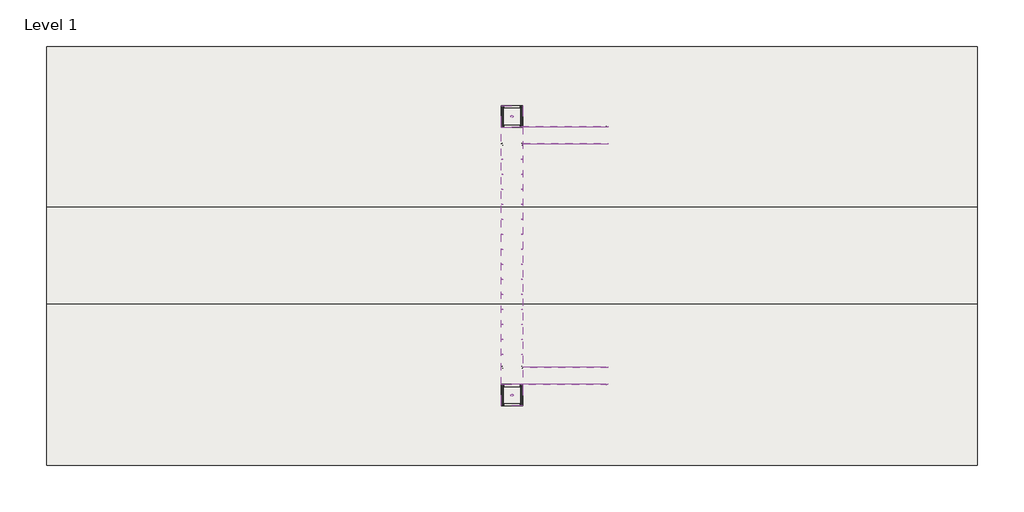
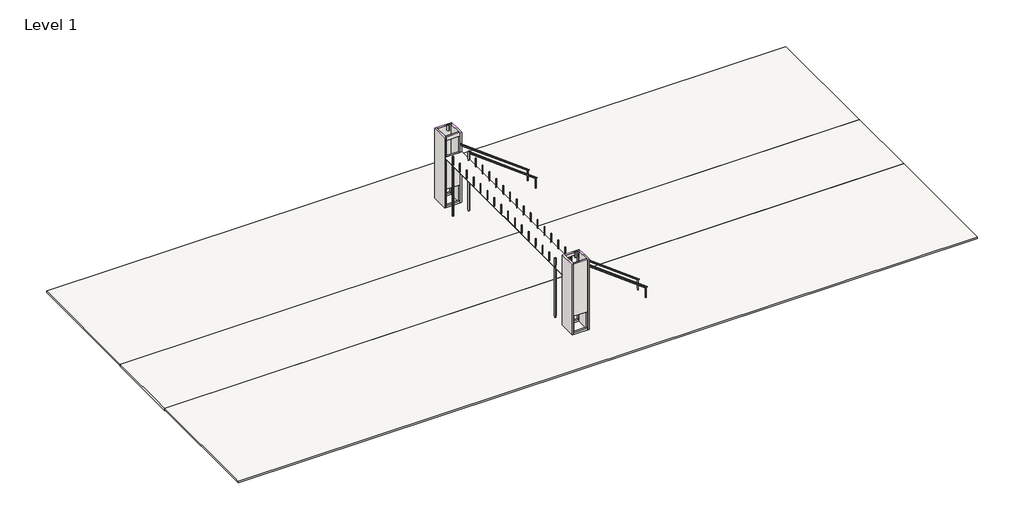
# One storey: 38 columns, 8 walls, 4 beams, 4 railings, 4 roofs, 4 slabs.
"""IFC4 building model written with IfcOpenShell, lengths in millimetres."""

import ifcopenshell
import ifcopenshell.guid

model = None  # the IFC model being written
_history = None  # IfcOwnerHistory: only IFC2X3 demands one
_inside = {}  # id of a spatial element -> (the spatial element, [elements in it])
_under = {}  # id of a project, library or spatial element -> (it, [spatial elements below it])
_declared = {}  # id of a project -> (the project, [libraries it declares])
_typed = {}  # id of a type object -> (the type object, [elements of that type])
_made_of = {}  # id of a material, layer set ... -> (it, [elements and type objects made of it])


def new_model(schema):
    """Start an empty IFC model of exactly this schema.

    Asked for "IFC4X3", IfcOpenShell would pick the latest addendum, in which some entities
    have other attributes; the version numbers below select the first issue.
    IFC2X3 requires an IfcOwnerHistory on every rooted entity: one is made here for all.
    """
    global model, _history
    if schema == "IFC4X3":
        model = ifcopenshell.file(schema_version=(4, 3, 0, 0))
    else:
        model = ifcopenshell.file(schema=schema)
    _inside.clear()
    _under.clear()
    _declared.clear()
    _typed.clear()
    _made_of.clear()
    _history = None
    if model.schema == "IFC2X3":
        org = make("IfcOrganization", Name="unknown")
        user = make(
            "IfcPersonAndOrganization",
            ThePerson=make("IfcPerson", FamilyName="unknown"),
            TheOrganization=org,
        )
        app = make(
            "IfcApplication",
            ApplicationDeveloper=org,
            Version="unknown",
            ApplicationFullName="unknown",
            ApplicationIdentifier="unknown",
        )
        _history = make(
            "IfcOwnerHistory",
            OwningUser=user,
            OwningApplication=app,
            ChangeAction="ADDED",
            CreationDate=0,
        )
    return model


def make(cls, **values):
    """One entity of the class cls with the attributes given. An attribute that is None is left unset."""
    return model.create_entity(
        cls, **{name: value for name, value in values.items() if value is not None}
    )


def rooted(cls, **values):
    """An entity with a GlobalId (a new one), such as an element, a storey or a relation."""
    return make(cls, GlobalId=ifcopenshell.guid.new(), OwnerHistory=_history, **values)


def si_unit(unit_type, name, prefix=None):
    """IfcSIUnit, for example si_unit("LENGTHUNIT", "METRE", prefix="MILLI")."""
    return make("IfcSIUnit", UnitType=unit_type, Prefix=prefix, Name=name)


def assignment(units):
    """IfcUnitAssignment: the units of a project."""
    return None if units is None else make("IfcUnitAssignment", Units=units)


def point(xyz):
    """IfcCartesianPoint."""
    return None if xyz is None else make("IfcCartesianPoint", Coordinates=xyz)


def direction(xyz):
    """IfcDirection."""
    return None if xyz is None else make("IfcDirection", DirectionRatios=xyz)


def frame(location, z_axis=None, x_axis=None):
    """IfcAxis2Placement3D, a coordinate frame: its origin and axes. An axis left out is left unset."""
    return make(
        "IfcAxis2Placement3D",
        Location=point(location),
        Axis=direction(z_axis),
        RefDirection=direction(x_axis),
    )


def frame_2d(location, x_axis=None):
    """IfcAxis2Placement2D, a coordinate frame in the plane: its origin and x axis."""
    return make(
        "IfcAxis2Placement2D", Location=point(location), RefDirection=direction(x_axis)
    )


def origin():
    """The frame at (0, 0, 0) with its axes left unset."""
    return frame((0.0, 0.0, 0.0))


def origin_with_axes():
    """The frame at (0, 0, 0) with the z axis (0, 0, 1) and the x axis (1, 0, 0) written out."""
    return frame((0.0, 0.0, 0.0), z_axis=(0.0, 0.0, 1.0), x_axis=(1.0, 0.0, 0.0))


def origin_2d():
    """The frame at (0, 0) in the plane with its x axis left unset."""
    return frame_2d((0.0, 0.0))


def place(relative_to, where):
    """IfcLocalPlacement: puts the frame where relative to a parent placement (None: the world)."""
    return make(
        "IfcLocalPlacement", PlacementRelTo=relative_to, RelativePlacement=where
    )


def context(
    kind, dimensions, precision=None, world=None, true_north=None, identifier=None
):
    """IfcGeometricRepresentationContext, for example the 3D "Model" context."""
    return make(
        "IfcGeometricRepresentationContext",
        ContextIdentifier=identifier,
        ContextType=kind,
        CoordinateSpaceDimension=dimensions,
        Precision=precision,
        WorldCoordinateSystem=world,
        TrueNorth=true_north,
    )


def project(units=None, contexts=None):
    """IfcProject with its units and contexts."""
    return rooted(
        "IfcProject",
        Name="project",
        RepresentationContexts=contexts,
        UnitsInContext=assignment(units),
    )


def spatial(cls, under=None, at=None, **own):
    """A site, building, storey or space (cls), placed at a placement, below another one or the project."""
    s = rooted(cls, ObjectPlacement=at, **own)
    if under is not None:
        _under.setdefault(under.id(), (under, []))[1].append(s)
    return s


def polyline(points):
    """IfcPolyline through the points."""
    return make("IfcPolyline", Points=[point(p) for p in points])


def circle_curve(where, radius):
    """IfcCircle in the frame where."""
    return make("IfcCircle", Position=where, Radius=radius)


def trimmed(basis, trim1, trim2, sense, master):
    """IfcTrimmedCurve: the piece of a basis curve between two trims."""
    return make(
        "IfcTrimmedCurve",
        BasisCurve=basis,
        Trim1=trim1,
        Trim2=trim2,
        SenseAgreement=sense,
        MasterRepresentation=master,
    )


def segment(curve, same_sense, transition):
    """IfcCompositeCurveSegment."""
    return make(
        "IfcCompositeCurveSegment",
        Transition=transition,
        SameSense=same_sense,
        ParentCurve=curve,
    )


def composite_curve(segments, self_intersect=None):
    """IfcCompositeCurve: segments joined end to end."""
    return make("IfcCompositeCurve", Segments=segments, SelfIntersect=self_intersect)


def outline(outer, holes=None, kind="AREA"):
    """IfcArbitraryClosedProfileDef: a profile drawn as a closed curve; with holes, ...WithVoids."""
    if holes is None:
        return make("IfcArbitraryClosedProfileDef", ProfileType=kind, OuterCurve=outer)
    return make(
        "IfcArbitraryProfileDefWithVoids",
        ProfileType=kind,
        OuterCurve=outer,
        InnerCurves=holes,
    )


def extrude(swept, where, along, depth):
    """IfcExtrudedAreaSolid: the profile swept, set in the frame where, extruded along a direction by depth."""
    return make(
        "IfcExtrudedAreaSolid",
        SweptArea=swept,
        Position=where,
        ExtrudedDirection=direction(along),
        Depth=depth,
    )


def faces_of(points, faces, orient=None, outer=None):
    """IfcFace entities. A face is a list of loops; a loop is a list of indices into points, from 0.

    orient and outer hold one flag for each loop. By default every Orientation is true, the
    first loop of a face is its IfcFaceOuterBound and the others are IfcFaceBound.
    """
    made = []
    for i, loops in enumerate(faces):
        bounds = []
        for j, loop in enumerate(loops):
            is_outer = j == 0 if outer is None else outer[i][j]
            bounds.append(
                make(
                    "IfcFaceOuterBound" if is_outer else "IfcFaceBound",
                    Bound=make("IfcPolyLoop", Polygon=[points[k] for k in loop]),
                    Orientation=True if orient is None else orient[i][j],
                )
            )
        made.append(make("IfcFace", Bounds=bounds))
    return made


def faceted_brep(points, faces, orient=None, outer=None, voids=None):
    """IfcFacetedBrep: a solid bounded by flat faces; with voids (closed shells), ...WithVoids."""
    shared = [point(p) for p in points]
    hull = make("IfcClosedShell", CfsFaces=faces_of(shared, faces, orient, outer))
    if voids is None:
        return make("IfcFacetedBrep", Outer=hull)
    return make(
        "IfcFacetedBrepWithVoids",
        Outer=hull,
        Voids=[
            make(cls, CfsFaces=faces_of(shared, fs, o, b)) for cls, fs, o, b in voids
        ],
    )


def shape(context_of_items, identifier, shape_type, items):
    """IfcShapeRepresentation: the items that make up one representation, for example the "Body"."""
    return make(
        "IfcShapeRepresentation",
        ContextOfItems=context_of_items,
        RepresentationIdentifier=identifier,
        RepresentationType=shape_type,
        Items=items,
    )


def source(mapping_origin, context_of_items, identifier, shape_type, items):
    """IfcRepresentationMap: a shape defined once, which mapped items show again and again."""
    return make(
        "IfcRepresentationMap",
        MappingOrigin=mapping_origin,
        MappedRepresentation=shape(context_of_items, identifier, shape_type, items),
    )


def transform(
    local_origin,
    x_axis=None,
    y_axis=None,
    z_axis=None,
    scale=None,
    scale2=None,
    scale3=None,
    uniform=True,
):
    """IfcCartesianTransformationOperator3D, or its non-uniform kind. x_axis, y_axis, z_axis: its Axis1, 2, 3."""
    if uniform:
        return make(
            "IfcCartesianTransformationOperator3D",
            Axis1=direction(x_axis),
            Axis2=direction(y_axis),
            LocalOrigin=point(local_origin),
            Scale=scale,
            Axis3=direction(z_axis),
        )
    return make(
        "IfcCartesianTransformationOperator3DnonUniform",
        Axis1=direction(x_axis),
        Axis2=direction(y_axis),
        LocalOrigin=point(local_origin),
        Scale=scale,
        Axis3=direction(z_axis),
        Scale2=scale2,
        Scale3=scale3,
    )


def mapped(mapping_source, mapping_target):
    """IfcMappedItem: shows the shape of a source again, moved by a transform."""
    return make(
        "IfcMappedItem", MappingSource=mapping_source, MappingTarget=mapping_target
    )


def made_of(thing, what):
    """Note that an element or type object is made of a material, layer set ...; save() writes the relation."""
    if what is not None:
        _made_of.setdefault(what.id(), (what, []))[1].append(thing)
    return thing


def element(
    cls,
    number,
    at=None,
    inside=None,
    cuts=None,
    type_object=None,
    material=None,
    context=None,
    identifier="Body",
    shape_type=None,
    held_by="IfcProductDefinitionShape",
    body=None,
    shapes=None,
    **own,
):
    """One element of the class cls, such as IfcWall. Its Tag is "e" and its number.

    at: its placement. inside: the storey or other place that contains it. cuts: it is an
    opening in that element (IfcRelVoidsElement). A single representation is given by context,
    identifier, shape_type and body (its items); several are given by shapes. held_by: the class
    of the entity that holds the representations. save() writes the other relations.
    """
    e = rooted(cls, Tag="e%d" % number, ObjectPlacement=at, **own)
    if body is not None:
        shapes = [shape(context, identifier, shape_type, body)]
    if shapes is not None:
        e.Representation = make(held_by, Representations=shapes)
    if inside is not None:
        _inside.setdefault(inside.id(), (inside, []))[1].append(e)
    if cuts is not None:
        rooted(
            "IfcRelVoidsElement", RelatingBuildingElement=cuts, RelatedOpeningElement=e
        )
    if type_object is not None:
        _typed.setdefault(type_object.id(), (type_object, []))[1].append(e)
    return made_of(e, material)


def aggregate(whole, parts):
    """IfcRelAggregates: a whole, such as a stair, and the parts it consists of."""
    return rooted("IfcRelAggregates", RelatingObject=whole, RelatedObjects=parts)


def save(model, path):
    """Write the relations noted so far, then the file.

    IfcRelAggregates (storeys below a building ...), IfcRelContainedInSpatialStructure (elements
    in a storey), IfcRelDefinesByType, IfcRelAssociatesMaterial and IfcRelDeclares: one each for
    every whole, place, type object, material and project.
    """
    for whole, parts in _under.values():
        aggregate(whole, parts)
    for where, things in _inside.values():
        rooted(
            "IfcRelContainedInSpatialStructure",
            RelatedElements=things,
            RelatingStructure=where,
        )
    for kind, things in _typed.values():
        rooted("IfcRelDefinesByType", RelatedObjects=things, RelatingType=kind)
    for what, things in _made_of.values():
        rooted("IfcRelAssociatesMaterial", RelatedObjects=things, RelatingMaterial=what)
    for by, libraries in _declared.values():
        rooted("IfcRelDeclares", RelatingContext=by, RelatedDefinitions=libraries)
    model.write(path)


def circular_hollow_sections_column2_chs168_3x10_2_d5f3cf2d(model_context):
    return source(origin(), model_context, "Body", "SweptSolid", [
        extrude(outline(composite_curve([segment(trimmed(circle_curve(origin_2d(), 84.15), [point((-84.15, 0.0))], [point((84.15, 0.0))], False, "CARTESIAN"), True, "CONTINUOUS"), segment(trimmed(circle_curve(origin_2d(), 84.15), [point((84.15, 0.0))], [point((-84.15, 0.0))], False, "CARTESIAN"), True, "CONTINUOUS")], self_intersect=False), holes=[composite_curve([segment(trimmed(circle_curve(origin_2d(), 74.15), [point((-74.15, 0.0))], [point((74.15, 0.0))], True, "CARTESIAN"), True, "CONTINUOUS"), segment(trimmed(circle_curve(origin_2d(), 74.15), [point((74.15, 0.0))], [point((-74.15, 0.0))], True, "CARTESIAN"), True, "CONTINUOUS")], self_intersect=False)]), origin_with_axes(), (0.0, 0.0, 1.0), 7350.0),
    ])


def circular_hollow_sections_column2_chs244_5x6_3_2_f04269d1(model_context):
    return source(origin(), model_context, "Body", "SweptSolid", [
        extrude(outline(composite_curve([segment(trimmed(circle_curve(origin_2d(), 122.25), [point((-122.25, 0.0))], [point((122.25, 0.0))], False, "CARTESIAN"), True, "CONTINUOUS"), segment(trimmed(circle_curve(origin_2d(), 122.25), [point((122.25, 0.0))], [point((-122.25, 0.0))], False, "CARTESIAN"), True, "CONTINUOUS")], self_intersect=False), holes=[composite_curve([segment(trimmed(circle_curve(origin_2d(), 115.95), [point((-115.95, 0.0))], [point((115.95, 0.0))], True, "CARTESIAN"), True, "CONTINUOUS"), segment(trimmed(circle_curve(origin_2d(), 115.95), [point((115.95, 0.0))], [point((-115.95, 0.0))], True, "CARTESIAN"), True, "CONTINUOUS")], self_intersect=False)]), frame((0.0, 0.0, 8750.0), z_axis=(0.0, 0.0, 1.0), x_axis=(1.0, 0.0, 0.0)), (0.0, 0.0, 1.0), 640.0),
    ])


def circular_hollow_sections_column2_chs88_9x3_6_0eb0d693(model_context):
    return source(origin(), model_context, "Body", "SweptSolid", [
        extrude(outline(composite_curve([segment(trimmed(circle_curve(origin_2d(), 44.45), [point((-44.45, 0.0))], [point((44.45, 0.0))], False, "CARTESIAN"), True, "CONTINUOUS"), segment(trimmed(circle_curve(origin_2d(), 44.45), [point((44.45, 0.0))], [point((-44.45, 0.0))], False, "CARTESIAN"), True, "CONTINUOUS")], self_intersect=False), holes=[composite_curve([segment(trimmed(circle_curve(origin_2d(), 40.85), [point((-40.85, 0.0))], [point((40.85, 0.0))], True, "CARTESIAN"), True, "CONTINUOUS"), segment(trimmed(circle_curve(origin_2d(), 40.85), [point((40.85, 0.0))], [point((-40.85, 0.0))], True, "CARTESIAN"), True, "CONTINUOUS")], self_intersect=False)]), frame((0.0, 0.0, 6250.0), z_axis=(0.0, 0.0, 1.0), x_axis=(1.0, 0.0, 0.0)), (0.0, 0.0, 1.0), 1100.0),
    ])


def railing_900mm_3cfb49fb(model_context):
    return source(origin(), model_context, "Body", "SweptSolid", [
        extrude(outline(polyline([(1242.25, 156897.861144), (1337.5, 156897.861144), (7150.0, 149147.861144), (7054.75, 149147.861144), (1242.25, 156897.861144)])), frame((0.0, 49339.3663525, 0.0), z_axis=(0.0, 1.0, 0.0), x_axis=(0.0, 0.0, 1.0)), (0.0, 0.0, 1.0), 50.8),
    ])


def railing_900mm_8dbf6165(model_context):
    return source(origin(), model_context, "Body", "SweptSolid", [
        extrude(outline(polyline([(1242.25, 156897.861144), (1337.5, 156897.861144), (7150.0, 149147.861144), (7054.75, 149147.861144), (1242.25, 156897.861144)])), frame((0.0, 50930.0558522, 0.0), z_axis=(0.0, 1.0, 0.0), x_axis=(0.0, 0.0, 1.0)), (0.0, 0.0, 1.0), 50.8),
    ])


def railing_900mm_4aaa5624(model_context):
    return source(origin(), model_context, "Body", "SweptSolid", [
        extrude(outline(polyline([(1242.25, 156897.861144), (1337.5, 156897.861144), (7150.0, 149147.861144), (7054.75, 149147.861144), (1242.25, 156897.861144)])), frame((0.0, 71739.3663525, 0.0), z_axis=(0.0, 1.0, 0.0), x_axis=(0.0, 0.0, 1.0)), (0.0, 0.0, 1.0), 50.8),
    ])


def railing_900mm_96c6f536(model_context):
    return source(origin(), model_context, "Body", "SweptSolid", [
        extrude(outline(polyline([(1242.25, 156897.861144), (1337.5, 156897.861144), (7150.0, 149147.861144), (7054.75, 149147.861144), (1242.25, 156897.861144)])), frame((0.0, 73330.0558522, 0.0), z_axis=(0.0, 1.0, 0.0), x_axis=(0.0, 0.0, 1.0)), (0.0, 0.0, 1.0), 50.8),
    ])


model = new_model("IFC4")

# Units and contexts
model_context = context("Model", 3, world=origin())
ifc_project = project(units=[si_unit("LENGTHUNIT", "METRE", prefix="MILLI")], contexts=[model_context])

# Site, building, storey
site = spatial("IfcSite", under=ifc_project)
building = spatial("IfcBuilding", under=site)
storey = spatial("IfcBuildingStorey", under=building, Name="Level 1", Elevation=0.0)

# Beams
placement = place(None, origin())
element("IfcBeam", 1, ObjectType="Circular Hollow Sections1 : CHS88.9x6.3", at=placement, inside=storey, context=model_context, shape_type="SweptSolid", body=[
    extrude(outline(composite_curve([segment(trimmed(circle_curve(frame_2d((0.0, -44.45)), 44.45), [point((0.0, -88.9))], [point((0.0, 0.0))], False, "CARTESIAN"), True, "CONTINUOUS"), segment(trimmed(circle_curve(frame_2d((0.0, -44.45)), 44.45), [point((0.0, 0.0))], [point((0.0, -88.9))], False, "CARTESIAN"), True, "CONTINUOUS")], self_intersect=False), holes=[composite_curve([segment(trimmed(circle_curve(frame_2d((0.0, -44.45)), 38.15), [point((0.0, -6.3))], [point((0.0, -82.6))], True, "CARTESIAN"), True, "CONTINUOUS"), segment(trimmed(circle_curve(frame_2d((0.0, -44.45)), 38.15), [point((0.0, -82.6))], [point((0.0, -6.3))], True, "CARTESIAN"), True, "CONTINUOUS")], self_intersect=False)]), frame((157077.0868269, 50994.9058522, 1262.0100124), z_axis=(-0.7986355100472933, 0.0, 0.6018150231520478), x_axis=(0.6018150231520478, 0.0, 0.7986355100472933)), (0.0, 0.0, 1.0), 9872.0032292),
])
element("IfcBeam", 2, ObjectType="Circular Hollow Sections1 : CHS88.9x6.3", at=placement, inside=storey, context=model_context, shape_type="SweptSolid", body=[
    extrude(outline(composite_curve([segment(trimmed(circle_curve(frame_2d((0.0, 44.45)), 44.45), [point((0.0, 88.9))], [point((0.0, 0.0))], False, "CARTESIAN"), True, "CONTINUOUS"), segment(trimmed(circle_curve(frame_2d((0.0, 44.45)), 44.45), [point((0.0, 0.0))], [point((0.0, 88.9))], False, "CARTESIAN"), True, "CONTINUOUS")], self_intersect=False), holes=[composite_curve([segment(trimmed(circle_curve(frame_2d((0.0, 44.45)), 38.15), [point((0.0, 6.3))], [point((0.0, 82.6))], True, "CARTESIAN"), True, "CONTINUOUS"), segment(trimmed(circle_curve(frame_2d((0.0, 44.45)), 38.15), [point((0.0, 82.6))], [point((0.0, 6.3))], True, "CARTESIAN"), True, "CONTINUOUS")], self_intersect=False)]), frame((157077.0868269, 49325.3163525, 1262.0100124), z_axis=(-0.7986355100472933, 0.0, 0.6018150231520478), x_axis=(0.6018150231520478, 0.0, 0.7986355100472933)), (0.0, 0.0, 1.0), 10057.0613999),
])
element("IfcBeam", 3, ObjectType="Circular Hollow Sections1 : CHS88.9x6.3", at=placement, inside=storey, context=model_context, shape_type="SweptSolid", body=[
    extrude(outline(composite_curve([segment(trimmed(circle_curve(frame_2d((0.0, -44.45)), 44.45), [point((0.0, -88.9))], [point((0.0, 0.0))], False, "CARTESIAN"), True, "CONTINUOUS"), segment(trimmed(circle_curve(frame_2d((0.0, -44.45)), 44.45), [point((0.0, 0.0))], [point((0.0, -88.9))], False, "CARTESIAN"), True, "CONTINUOUS")], self_intersect=False), holes=[composite_curve([segment(trimmed(circle_curve(frame_2d((0.0, -44.45)), 38.15), [point((0.0, -6.3))], [point((0.0, -82.6))], True, "CARTESIAN"), True, "CONTINUOUS"), segment(trimmed(circle_curve(frame_2d((0.0, -44.45)), 38.15), [point((0.0, -82.6))], [point((0.0, -6.3))], True, "CARTESIAN"), True, "CONTINUOUS")], self_intersect=False)]), frame((157077.0868269, 73394.9058522, 1262.0100124), z_axis=(-0.7986355100472933, 0.0, 0.6018150231520478), x_axis=(0.6018150231520478, 0.0, 0.7986355100472933)), (0.0, 0.0, 1.0), 10057.0613999),
])
element("IfcBeam", 4, ObjectType="Circular Hollow Sections1 : CHS88.9x6.3", at=placement, inside=storey, context=model_context, shape_type="SweptSolid", body=[
    extrude(outline(composite_curve([segment(trimmed(circle_curve(frame_2d((0.0, 44.45)), 44.45), [point((0.0, 88.9))], [point((0.0, 0.0))], False, "CARTESIAN"), True, "CONTINUOUS"), segment(trimmed(circle_curve(frame_2d((0.0, 44.45)), 44.45), [point((0.0, 0.0))], [point((0.0, 88.9))], False, "CARTESIAN"), True, "CONTINUOUS")], self_intersect=False), holes=[composite_curve([segment(trimmed(circle_curve(frame_2d((0.0, 44.45)), 38.15), [point((0.0, 6.3))], [point((0.0, 82.6))], True, "CARTESIAN"), True, "CONTINUOUS"), segment(trimmed(circle_curve(frame_2d((0.0, 44.45)), 38.15), [point((0.0, 82.6))], [point((0.0, 6.3))], True, "CARTESIAN"), True, "CONTINUOUS")], self_intersect=False)]), frame((157077.0868269, 71725.3163525, 1262.0100124), z_axis=(-0.7986355100472933, 0.0, 0.6018150231520478), x_axis=(0.6018150231520478, 0.0, 0.7986355100472933)), (0.0, 0.0, 1.0), 9872.0032292),
])

# Columns
circular_hollow_sections_column2_chs168_3x10_2_shape = circular_hollow_sections_column2_chs168_3x10_2_d5f3cf2d(model_context)
element("IfcColumn", 5, ObjectType="Circular Hollow Sections-Column2 : CHS168.3x10 2", at=placement, inside=storey, context=model_context, shape_type="MappedRepresentation", body=[
    mapped(circular_hollow_sections_column2_chs168_3x10_2_shape, transform((147223.811144, 50930.4558522, 0.0), x_axis=(0.0, 1.0, 0.0), y_axis=(-1.0, 0.0, 0.0), z_axis=(0.0, 0.0, 1.0))),
])
element("IfcColumn", 6, ObjectType="Circular Hollow Sections-Column2 : CHS168.3x10 2", at=placement, inside=storey, context=model_context, shape_type="MappedRepresentation", body=[
    mapped(circular_hollow_sections_column2_chs168_3x10_2_shape, transform((149071.911144, 50930.4558522, 0.0), x_axis=(0.0, 1.0, 0.0), y_axis=(-1.0, 0.0, 0.0), z_axis=(0.0, 0.0, 1.0))),
])
element("IfcColumn", 7, ObjectType="Circular Hollow Sections-Column2 : CHS168.3x10 2", at=placement, inside=storey, context=model_context, shape_type="MappedRepresentation", body=[
    mapped(circular_hollow_sections_column2_chs168_3x10_2_shape, transform((149071.911144, 71730.4558522, 0.0), x_axis=(0.0, 1.0, 0.0), y_axis=(-1.0, 0.0, 0.0), z_axis=(0.0, 0.0, 1.0))),
])
element("IfcColumn", 8, ObjectType="Circular Hollow Sections-Column2 : CHS168.3x10 2", at=placement, inside=storey, context=model_context, shape_type="MappedRepresentation", body=[
    mapped(circular_hollow_sections_column2_chs168_3x10_2_shape, transform((147223.811144, 71730.4558522, 0.0), x_axis=(0.0, 1.0, 0.0), y_axis=(-1.0, 0.0, 0.0), z_axis=(0.0, 0.0, 1.0))),
])
circular_hollow_sections_column2_chs244_5x6_3_2_shape = circular_hollow_sections_column2_chs244_5x6_3_2_f04269d1(model_context)
element("IfcColumn", 9, ObjectType="Circular Hollow Sections-Column2 : CHS244.5x6.3 2", at=placement, inside=storey, context=model_context, shape_type="MappedRepresentation", body=[
    mapped(circular_hollow_sections_column2_chs244_5x6_3_2_shape, transform((148147.861144, 74330.4558522, 0.0), x_axis=(0.0, 1.0, 0.0), y_axis=(-1.0, 0.0, 0.0), z_axis=(0.0, 0.0, 1.0))),
])
element("IfcColumn", 10, ObjectType="Circular Hollow Sections-Column2 : CHS244.5x6.3 2", at=placement, inside=storey, context=model_context, shape_type="MappedRepresentation", body=[
    mapped(circular_hollow_sections_column2_chs244_5x6_3_2_shape, transform((148147.861144, 48330.4558522, 0.0), x_axis=(0.0, 1.0, 0.0), y_axis=(-1.0, 0.0, 0.0), z_axis=(0.0, 0.0, 1.0))),
])
element("IfcColumn", 11, ObjectType="Circular Hollow Sections-Column2 : CHS88.9x3.6", at=placement, inside=storey, context=model_context, shape_type="SweptSolid", body=[
    extrude(outline(composite_curve([segment(trimmed(circle_curve(frame_2d((156948.0512397, 73350.4558522)), 44.45), [point((156948.0512397, 73306.0058522))], [point((156948.0512397, 73394.9058522))], False, "CARTESIAN"), True, "CONTINUOUS"), segment(trimmed(circle_curve(frame_2d((156948.0512397, 73350.4558522)), 44.45), [point((156948.0512397, 73394.9058522))], [point((156948.0512397, 73306.0058522))], False, "CARTESIAN"), True, "CONTINUOUS")], self_intersect=False), holes=[composite_curve([segment(trimmed(circle_curve(frame_2d((156948.0512397, 73350.4558522)), 40.85), [point((156948.0512397, 73309.6058522))], [point((156948.0512397, 73391.3058522))], True, "CARTESIAN"), True, "CONTINUOUS"), segment(trimmed(circle_curve(frame_2d((156948.0512397, 73350.4558522)), 40.85), [point((156948.0512397, 73391.3058522))], [point((156948.0512397, 73309.6058522))], True, "CARTESIAN"), True, "CONTINUOUS")], self_intersect=False)]), origin_with_axes(), (0.0, 0.0, 1.0), 1311.0904272),
])
element("IfcColumn", 12, ObjectType="Circular Hollow Sections-Column2 : CHS88.9x3.6", at=placement, inside=storey, context=model_context, shape_type="SweptSolid", body=[
    extrude(outline(composite_curve([segment(trimmed(circle_curve(frame_2d((156948.0512397, 71769.7663525)), 44.45), [point((156948.0512397, 71814.2163525))], [point((156948.0512397, 71725.3163525))], False, "CARTESIAN"), True, "CONTINUOUS"), segment(trimmed(circle_curve(frame_2d((156948.0512397, 71769.7663525)), 44.45), [point((156948.0512397, 71725.3163525))], [point((156948.0512397, 71814.2163525))], False, "CARTESIAN"), True, "CONTINUOUS")], self_intersect=False), holes=[composite_curve([segment(trimmed(circle_curve(frame_2d((156948.0512397, 71769.7663525)), 40.85), [point((156948.0512397, 71810.6163525))], [point((156948.0512397, 71728.9163525))], True, "CARTESIAN"), True, "CONTINUOUS"), segment(trimmed(circle_curve(frame_2d((156948.0512397, 71769.7663525)), 40.85), [point((156948.0512397, 71728.9163525))], [point((156948.0512397, 71810.6163525))], True, "CARTESIAN"), True, "CONTINUOUS")], self_intersect=False)]), origin_with_axes(), (0.0, 0.0, 1.0), 1311.0904272),
])
element("IfcColumn", 13, ObjectType="Circular Hollow Sections-Column2 : CHS88.9x3.6", at=placement, inside=storey, context=model_context, shape_type="SweptSolid", body=[
    extrude(outline(composite_curve([segment(trimmed(circle_curve(frame_2d((156948.0512397, 50950.4558522)), 44.45), [point((156948.0512397, 50906.0058522))], [point((156948.0512397, 50994.9058522))], False, "CARTESIAN"), True, "CONTINUOUS"), segment(trimmed(circle_curve(frame_2d((156948.0512397, 50950.4558522)), 44.45), [point((156948.0512397, 50994.9058522))], [point((156948.0512397, 50906.0058522))], False, "CARTESIAN"), True, "CONTINUOUS")], self_intersect=False), holes=[composite_curve([segment(trimmed(circle_curve(frame_2d((156948.0512397, 50950.4558522)), 40.85), [point((156948.0512397, 50909.6058522))], [point((156948.0512397, 50991.3058522))], True, "CARTESIAN"), True, "CONTINUOUS"), segment(trimmed(circle_curve(frame_2d((156948.0512397, 50950.4558522)), 40.85), [point((156948.0512397, 50991.3058522))], [point((156948.0512397, 50909.6058522))], True, "CARTESIAN"), True, "CONTINUOUS")], self_intersect=False)]), origin_with_axes(), (0.0, 0.0, 1.0), 1311.0904272),
])
element("IfcColumn", 14, ObjectType="Circular Hollow Sections-Column2 : CHS88.9x3.6", at=placement, inside=storey, context=model_context, shape_type="SweptSolid", body=[
    extrude(outline(composite_curve([segment(trimmed(circle_curve(frame_2d((156948.0512397, 49369.7663525)), 44.45), [point((156948.0512397, 49414.2163525))], [point((156948.0512397, 49325.3163525))], False, "CARTESIAN"), True, "CONTINUOUS"), segment(trimmed(circle_curve(frame_2d((156948.0512397, 49369.7663525)), 44.45), [point((156948.0512397, 49325.3163525))], [point((156948.0512397, 49414.2163525))], False, "CARTESIAN"), True, "CONTINUOUS")], self_intersect=False), holes=[composite_curve([segment(trimmed(circle_curve(frame_2d((156948.0512397, 49369.7663525)), 40.85), [point((156948.0512397, 49410.6163525))], [point((156948.0512397, 49328.9163525))], True, "CARTESIAN"), True, "CONTINUOUS"), segment(trimmed(circle_curve(frame_2d((156948.0512397, 49369.7663525)), 40.85), [point((156948.0512397, 49328.9163525))], [point((156948.0512397, 49410.6163525))], True, "CARTESIAN"), True, "CONTINUOUS")], self_intersect=False)]), origin_with_axes(), (0.0, 0.0, 1.0), 1311.0904272),
])
circular_hollow_sections_column2_chs88_9x3_6_shape = circular_hollow_sections_column2_chs88_9x3_6_0eb0d693(model_context)
element("IfcColumn", 15, ObjectType="Circular Hollow Sections-Column2 : CHS88.9x3.6", at=placement, inside=storey, context=model_context, shape_type="MappedRepresentation", body=[
    mapped(circular_hollow_sections_column2_chs88_9x3_6_shape, transform((147223.811144, 70330.4558522, 0.0), x_axis=(0.0, 1.0, 0.0), y_axis=(-1.0, 0.0, 0.0), z_axis=(0.0, 0.0, 1.0))),
])
element("IfcColumn", 16, ObjectType="Circular Hollow Sections-Column2 : CHS88.9x3.6", at=placement, inside=storey, context=model_context, shape_type="MappedRepresentation", body=[
    mapped(circular_hollow_sections_column2_chs88_9x3_6_shape, transform((147223.811144, 68930.4558522, 0.0), x_axis=(0.0, 1.0, 0.0), y_axis=(-1.0, 0.0, 0.0), z_axis=(0.0, 0.0, 1.0))),
])
element("IfcColumn", 17, ObjectType="Circular Hollow Sections-Column2 : CHS88.9x3.6", at=placement, inside=storey, context=model_context, shape_type="MappedRepresentation", body=[
    mapped(circular_hollow_sections_column2_chs88_9x3_6_shape, transform((147223.811144, 67530.4558522, 0.0), x_axis=(0.0, 1.0, 0.0), y_axis=(-1.0, 0.0, 0.0), z_axis=(0.0, 0.0, 1.0))),
])
element("IfcColumn", 18, ObjectType="Circular Hollow Sections-Column2 : CHS88.9x3.6", at=placement, inside=storey, context=model_context, shape_type="MappedRepresentation", body=[
    mapped(circular_hollow_sections_column2_chs88_9x3_6_shape, transform((147223.811144, 66130.4558522, 0.0), x_axis=(0.0, 1.0, 0.0), y_axis=(-1.0, 0.0, 0.0), z_axis=(0.0, 0.0, 1.0))),
])
element("IfcColumn", 19, ObjectType="Circular Hollow Sections-Column2 : CHS88.9x3.6", at=placement, inside=storey, context=model_context, shape_type="MappedRepresentation", body=[
    mapped(circular_hollow_sections_column2_chs88_9x3_6_shape, transform((147223.811144, 64730.4558522, 0.0), x_axis=(0.0, 1.0, 0.0), y_axis=(-1.0, 0.0, 0.0), z_axis=(0.0, 0.0, 1.0))),
])
element("IfcColumn", 20, ObjectType="Circular Hollow Sections-Column2 : CHS88.9x3.6", at=placement, inside=storey, context=model_context, shape_type="MappedRepresentation", body=[
    mapped(circular_hollow_sections_column2_chs88_9x3_6_shape, transform((147223.811144, 63330.4558522, 0.0), x_axis=(0.0, 1.0, 0.0), y_axis=(-1.0, 0.0, 0.0), z_axis=(0.0, 0.0, 1.0))),
])
element("IfcColumn", 21, ObjectType="Circular Hollow Sections-Column2 : CHS88.9x3.6", at=placement, inside=storey, context=model_context, shape_type="MappedRepresentation", body=[
    mapped(circular_hollow_sections_column2_chs88_9x3_6_shape, transform((149071.911144, 70330.4558522, 0.0), x_axis=(0.0, 1.0, 0.0), y_axis=(-1.0, 0.0, 0.0), z_axis=(0.0, 0.0, 1.0))),
])
element("IfcColumn", 22, ObjectType="Circular Hollow Sections-Column2 : CHS88.9x3.6", at=placement, inside=storey, context=model_context, shape_type="MappedRepresentation", body=[
    mapped(circular_hollow_sections_column2_chs88_9x3_6_shape, transform((149071.911144, 68930.4558522, 0.0), x_axis=(0.0, 1.0, 0.0), y_axis=(-1.0, 0.0, 0.0), z_axis=(0.0, 0.0, 1.0))),
])
element("IfcColumn", 23, ObjectType="Circular Hollow Sections-Column2 : CHS88.9x3.6", at=placement, inside=storey, context=model_context, shape_type="MappedRepresentation", body=[
    mapped(circular_hollow_sections_column2_chs88_9x3_6_shape, transform((149071.911144, 67530.4558522, 0.0), x_axis=(0.0, 1.0, 0.0), y_axis=(-1.0, 0.0, 0.0), z_axis=(0.0, 0.0, 1.0))),
])
element("IfcColumn", 24, ObjectType="Circular Hollow Sections-Column2 : CHS88.9x3.6", at=placement, inside=storey, context=model_context, shape_type="MappedRepresentation", body=[
    mapped(circular_hollow_sections_column2_chs88_9x3_6_shape, transform((149071.911144, 66130.4558522, 0.0), x_axis=(0.0, 1.0, 0.0), y_axis=(-1.0, 0.0, 0.0), z_axis=(0.0, 0.0, 1.0))),
])
element("IfcColumn", 25, ObjectType="Circular Hollow Sections-Column2 : CHS88.9x3.6", at=placement, inside=storey, context=model_context, shape_type="MappedRepresentation", body=[
    mapped(circular_hollow_sections_column2_chs88_9x3_6_shape, transform((149071.911144, 64730.4558522, 0.0), x_axis=(0.0, 1.0, 0.0), y_axis=(-1.0, 0.0, 0.0), z_axis=(0.0, 0.0, 1.0))),
])
element("IfcColumn", 26, ObjectType="Circular Hollow Sections-Column2 : CHS88.9x3.6", at=placement, inside=storey, context=model_context, shape_type="MappedRepresentation", body=[
    mapped(circular_hollow_sections_column2_chs88_9x3_6_shape, transform((149071.911144, 63330.4558522, 0.0), x_axis=(0.0, 1.0, 0.0), y_axis=(-1.0, 0.0, 0.0), z_axis=(0.0, 0.0, 1.0))),
])
element("IfcColumn", 27, ObjectType="Circular Hollow Sections-Column2 : CHS88.9x3.6", at=placement, inside=storey, context=model_context, shape_type="MappedRepresentation", body=[
    mapped(circular_hollow_sections_column2_chs88_9x3_6_shape, transform((147223.811144, 61930.4558522, 0.0), x_axis=(0.0, 1.0, 0.0), y_axis=(-1.0, 0.0, 0.0), z_axis=(0.0, 0.0, 1.0))),
])
element("IfcColumn", 28, ObjectType="Circular Hollow Sections-Column2 : CHS88.9x3.6", at=placement, inside=storey, context=model_context, shape_type="MappedRepresentation", body=[
    mapped(circular_hollow_sections_column2_chs88_9x3_6_shape, transform((149071.911144, 61930.4558522, 0.0), x_axis=(0.0, 1.0, 0.0), y_axis=(-1.0, 0.0, 0.0), z_axis=(0.0, 0.0, 1.0))),
])
element("IfcColumn", 29, ObjectType="Circular Hollow Sections-Column2 : CHS88.9x3.6", at=placement, inside=storey, context=model_context, shape_type="MappedRepresentation", body=[
    mapped(circular_hollow_sections_column2_chs88_9x3_6_shape, transform((147223.811144, 60530.4558522, 0.0), x_axis=(0.0, 1.0, 0.0), y_axis=(-1.0, 0.0, 0.0), z_axis=(0.0, 0.0, 1.0))),
])
element("IfcColumn", 30, ObjectType="Circular Hollow Sections-Column2 : CHS88.9x3.6", at=placement, inside=storey, context=model_context, shape_type="MappedRepresentation", body=[
    mapped(circular_hollow_sections_column2_chs88_9x3_6_shape, transform((149071.911144, 60530.4558522, 0.0), x_axis=(0.0, 1.0, 0.0), y_axis=(-1.0, 0.0, 0.0), z_axis=(0.0, 0.0, 1.0))),
])
element("IfcColumn", 31, ObjectType="Circular Hollow Sections-Column2 : CHS88.9x3.6", at=placement, inside=storey, context=model_context, shape_type="MappedRepresentation", body=[
    mapped(circular_hollow_sections_column2_chs88_9x3_6_shape, transform((147223.811144, 59130.4558522, 0.0), x_axis=(0.0, 1.0, 0.0), y_axis=(-1.0, 0.0, 0.0), z_axis=(0.0, 0.0, 1.0))),
])
element("IfcColumn", 32, ObjectType="Circular Hollow Sections-Column2 : CHS88.9x3.6", at=placement, inside=storey, context=model_context, shape_type="MappedRepresentation", body=[
    mapped(circular_hollow_sections_column2_chs88_9x3_6_shape, transform((149071.911144, 59130.4558522, 0.0), x_axis=(0.0, 1.0, 0.0), y_axis=(-1.0, 0.0, 0.0), z_axis=(0.0, 0.0, 1.0))),
])
element("IfcColumn", 33, ObjectType="Circular Hollow Sections-Column2 : CHS88.9x3.6", at=placement, inside=storey, context=model_context, shape_type="MappedRepresentation", body=[
    mapped(circular_hollow_sections_column2_chs88_9x3_6_shape, transform((147223.811144, 57730.4558522, 0.0), x_axis=(0.0, 1.0, 0.0), y_axis=(-1.0, 0.0, 0.0), z_axis=(0.0, 0.0, 1.0))),
])
element("IfcColumn", 34, ObjectType="Circular Hollow Sections-Column2 : CHS88.9x3.6", at=placement, inside=storey, context=model_context, shape_type="MappedRepresentation", body=[
    mapped(circular_hollow_sections_column2_chs88_9x3_6_shape, transform((149071.911144, 57730.4558522, 0.0), x_axis=(0.0, 1.0, 0.0), y_axis=(-1.0, 0.0, 0.0), z_axis=(0.0, 0.0, 1.0))),
])
element("IfcColumn", 35, ObjectType="Circular Hollow Sections-Column2 : CHS88.9x3.6", at=placement, inside=storey, context=model_context, shape_type="MappedRepresentation", body=[
    mapped(circular_hollow_sections_column2_chs88_9x3_6_shape, transform((147223.811144, 56330.4558522, 0.0), x_axis=(0.0, 1.0, 0.0), y_axis=(-1.0, 0.0, 0.0), z_axis=(0.0, 0.0, 1.0))),
])
element("IfcColumn", 36, ObjectType="Circular Hollow Sections-Column2 : CHS88.9x3.6", at=placement, inside=storey, context=model_context, shape_type="MappedRepresentation", body=[
    mapped(circular_hollow_sections_column2_chs88_9x3_6_shape, transform((149071.911144, 56330.4558522, 0.0), x_axis=(0.0, 1.0, 0.0), y_axis=(-1.0, 0.0, 0.0), z_axis=(0.0, 0.0, 1.0))),
])
element("IfcColumn", 37, ObjectType="Circular Hollow Sections-Column2 : CHS88.9x3.6", at=placement, inside=storey, context=model_context, shape_type="MappedRepresentation", body=[
    mapped(circular_hollow_sections_column2_chs88_9x3_6_shape, transform((147223.811144, 54930.4558522, 0.0), x_axis=(0.0, 1.0, 0.0), y_axis=(-1.0, 0.0, 0.0), z_axis=(0.0, 0.0, 1.0))),
])
element("IfcColumn", 38, ObjectType="Circular Hollow Sections-Column2 : CHS88.9x3.6", at=placement, inside=storey, context=model_context, shape_type="MappedRepresentation", body=[
    mapped(circular_hollow_sections_column2_chs88_9x3_6_shape, transform((149071.911144, 54930.4558522, 0.0), x_axis=(0.0, 1.0, 0.0), y_axis=(-1.0, 0.0, 0.0), z_axis=(0.0, 0.0, 1.0))),
])
element("IfcColumn", 39, ObjectType="Circular Hollow Sections-Column2 : CHS88.9x3.6", at=placement, inside=storey, context=model_context, shape_type="MappedRepresentation", body=[
    mapped(circular_hollow_sections_column2_chs88_9x3_6_shape, transform((147223.811144, 53530.4558522, 0.0), x_axis=(0.0, 1.0, 0.0), y_axis=(-1.0, 0.0, 0.0), z_axis=(0.0, 0.0, 1.0))),
])
element("IfcColumn", 40, ObjectType="Circular Hollow Sections-Column2 : CHS88.9x3.6", at=placement, inside=storey, context=model_context, shape_type="MappedRepresentation", body=[
    mapped(circular_hollow_sections_column2_chs88_9x3_6_shape, transform((149071.911144, 53530.4558522, 0.0), x_axis=(0.0, 1.0, 0.0), y_axis=(-1.0, 0.0, 0.0), z_axis=(0.0, 0.0, 1.0))),
])
element("IfcColumn", 41, ObjectType="Circular Hollow Sections-Column2 : CHS88.9x3.6", at=placement, inside=storey, context=model_context, shape_type="MappedRepresentation", body=[
    mapped(circular_hollow_sections_column2_chs88_9x3_6_shape, transform((147223.811144, 52130.4558522, 0.0), x_axis=(0.0, 1.0, 0.0), y_axis=(-1.0, 0.0, 0.0), z_axis=(0.0, 0.0, 1.0))),
])
element("IfcColumn", 42, ObjectType="Circular Hollow Sections-Column2 : CHS88.9x3.6", at=placement, inside=storey, context=model_context, shape_type="MappedRepresentation", body=[
    mapped(circular_hollow_sections_column2_chs88_9x3_6_shape, transform((149071.911144, 52130.4558522, 0.0), x_axis=(0.0, 1.0, 0.0), y_axis=(-1.0, 0.0, 0.0), z_axis=(0.0, 0.0, 1.0))),
])

# Railings
railing_900mm_shape = railing_900mm_3cfb49fb(model_context)
element("IfcRailing", 43, ObjectType="900mm", at=placement, inside=storey, context=model_context, shape_type="MappedRepresentation", body=[
    mapped(railing_900mm_shape, transform((0.0, 0.0, 0.0), x_axis=(1.0, 0.0, 0.0), y_axis=(0.0, 1.0, 0.0), z_axis=(0.0, 0.0, 1.0))),
])
railing_900mm_2_shape = railing_900mm_8dbf6165(model_context)
element("IfcRailing", 44, ObjectType="900mm", at=placement, inside=storey, context=model_context, shape_type="MappedRepresentation", body=[
    mapped(railing_900mm_2_shape, transform((0.0, 0.0, 0.0), x_axis=(1.0, 0.0, 0.0), y_axis=(0.0, 1.0, 0.0), z_axis=(0.0, 0.0, 1.0))),
])
railing_900mm_3_shape = railing_900mm_4aaa5624(model_context)
element("IfcRailing", 45, ObjectType="900mm", at=placement, inside=storey, context=model_context, shape_type="MappedRepresentation", body=[
    mapped(railing_900mm_3_shape, transform((0.0, 0.0, 0.0), x_axis=(1.0, 0.0, 0.0), y_axis=(0.0, 1.0, 0.0), z_axis=(0.0, 0.0, 1.0))),
])
railing_900mm_4_shape = railing_900mm_96c6f536(model_context)
element("IfcRailing", 46, ObjectType="900mm", at=placement, inside=storey, context=model_context, shape_type="MappedRepresentation", body=[
    mapped(railing_900mm_4_shape, transform((0.0, 0.0, 0.0), x_axis=(1.0, 0.0, 0.0), y_axis=(0.0, 1.0, 0.0), z_axis=(0.0, 0.0, 1.0))),
])

# Roofs
element("IfcRoof", 47, ObjectType="Warm Roof - Concrete", at=placement, inside=storey, context=model_context, shape_type="SweptSolid", body=[
    extrude(outline(polyline([(147147.861144, 47330.4558522), (147147.861144, 49330.4558522), (149147.861144, 49330.4558522), (149147.861144, 47330.4558522), (147147.861144, 47330.4558522)])), frame((0.0, 0.0, 8750.0), z_axis=(0.0, 0.0, 1.0), x_axis=(1.0, 0.0, 0.0)), (0.0, 0.0, 1.0), 50.0),
])
element("IfcRoof", 48, ObjectType="Warm Roof - Concrete", at=placement, inside=storey, context=model_context, shape_type="SweptSolid", body=[
    extrude(outline(polyline([(147147.861144, 73330.4558522), (147147.861144, 75330.4558522), (149147.861144, 75330.4558522), (149147.861144, 73330.4558522), (147147.861144, 73330.4558522)])), frame((0.0, 0.0, 8750.0), z_axis=(0.0, 0.0, 1.0), x_axis=(1.0, 0.0, 0.0)), (0.0, 0.0, 1.0), 50.0),
])
element("IfcRoof", 49, ObjectType="Warm Roof - Concrete", at=placement, inside=storey, context=model_context, shape_type="SweptSolid", body=[
    extrude(outline(polyline([(147147.861144, 47330.4558522), (147147.861144, 49330.4558522), (149147.861144, 49330.4558522), (149147.861144, 47330.4558522), (147147.861144, 47330.4558522)])), frame((0.0, 0.0, -375.0), z_axis=(0.0, 0.0, 1.0), x_axis=(1.0, 0.0, 0.0)), (0.0, 0.0, 1.0), 50.0),
])
element("IfcRoof", 50, ObjectType="Warm Roof - Concrete", at=placement, inside=storey, context=model_context, shape_type="SweptSolid", body=[
    extrude(outline(polyline([(147147.861144, 73330.4558522), (147147.861144, 75330.4558522), (149147.861144, 75330.4558522), (149147.861144, 73330.4558522), (147147.861144, 73330.4558522)])), frame((0.0, 0.0, -375.0), z_axis=(0.0, 0.0, 1.0), x_axis=(1.0, 0.0, 0.0)), (0.0, 0.0, 1.0), 50.0),
])

# Slabs
element("IfcSlab", 51, ObjectType="75mm Metal Roof Deck", at=placement, inside=storey, context=model_context, shape_type="SweptSolid", body=[
    extrude(outline(polyline([(147147.861144, 73330.4558522), (149147.861144, 73330.4558522), (149147.861144, 49330.4558522), (147147.861144, 49330.4558522), (147147.861144, 73330.4558522)])), frame((0.0, 0.0, 6250.0), z_axis=(0.0, 0.0, 1.0), x_axis=(1.0, 0.0, 0.0)), (0.0, 0.0, 1.0), 75.0),
])
element("IfcSlab", 52, ObjectType="Generic 300mm", at=placement, inside=storey, context=model_context, shape_type="SweptSolid", body=[
    extrude(outline(polyline([(191564.5656091, 56809.6297499), (104731.1566789, 56809.6297499), (104731.1566789, 65851.2819545), (191564.5656091, 65851.2819545), (191564.5656091, 56809.6297499)])), frame((0.0, 0.0, -300.0), z_axis=(0.0, 0.0, 1.0), x_axis=(1.0, 0.0, 0.0)), (0.0, 0.0, 1.0), 300.0),
])
element("IfcSlab", 53, ObjectType="Standard Timber-Wood Finish", at=placement, inside=storey, context=model_context, shape_type="SweptSolid", body=[
    extrude(outline(polyline([(191564.5656091, 56809.6297499), (191564.5656091, 41809.6297499), (104731.1566789, 41809.6297499), (104731.1566789, 56809.6297499), (191564.5656091, 56809.6297499)])), frame((0.0, 0.0, -200.0), z_axis=(0.0, 0.0, 1.0), x_axis=(1.0, 0.0, 0.0)), (0.0, 0.0, 1.0), 200.0),
])
element("IfcSlab", 54, ObjectType="Standard Timber-Wood Finish", at=placement, inside=storey, context=model_context, shape_type="SweptSolid", body=[
    extrude(outline(polyline([(191564.5656091, 65851.2819545), (104731.1566789, 65851.2819545), (104731.1566789, 80851.2819545), (191564.5656091, 80851.2819545), (191564.5656091, 65851.2819545)])), frame((0.0, 0.0, -200.0), z_axis=(0.0, 0.0, 1.0), x_axis=(1.0, 0.0, 0.0)), (0.0, 0.0, 1.0), 200.0),
])

# Walls
element("IfcWall", 55, ObjectType="Generic - 200mm", at=placement, inside=storey, context=model_context, shape_type="Brep", body=[
    faceted_brep([(147347.861144, 47330.4558522, -250.0), (147347.861144, 47530.4558522, -250.0), (147347.861144, 49130.4558522, -250.0), (147347.861144, 49330.4558522, -250.0), (147347.861144, 49330.4558522, 8750.0), (147347.861144, 49130.4558522, 8750.0), (147347.861144, 47530.4558522, 8750.0), (147347.861144, 47330.4558522, 8750.0), (147147.861144, 47330.4558522, -250.0), (147147.861144, 47330.4558522, 8750.0), (147147.861144, 49330.4558522, 8750.0), (147147.861144, 49330.4558522, -250.0)], [[[0, 1, 2, 3, 4, 5, 6, 7]], [[8, 9, 10, 11]], [[3, 2, 1, 0, 8, 11]], [[7, 6, 5, 4, 10, 9]], [[3, 11, 10, 4]], [[0, 7, 9, 8]]]),
])
element("IfcWall", 56, ObjectType="Generic - 200mm", at=placement, inside=storey, context=model_context, shape_type="Brep", body=[
    faceted_brep([(147347.861144, 49130.4558522, -250.0), (148947.861144, 49130.4558522, -250.0), (149147.861144, 49130.4558522, -250.0), (149147.861144, 49130.4558522, 8750.0), (148947.861144, 49130.4558522, 8750.0), (147347.861144, 49130.4558522, 8750.0), (148909.861144, 49130.4558522, 8357.0), (148909.861144, 49130.4558522, 6325.0), (147385.861144, 49130.4558522, 6325.0), (147385.861144, 49130.4558522, 8357.0), (148909.861144, 49130.4558522, 250.0), (147385.861144, 49130.4558522, 250.0), (147385.861144, 49130.4558522, 2282.0), (148909.861144, 49130.4558522, 2282.0), (149147.861144, 49330.4558522, -250.0), (147347.861144, 49330.4558522, -250.0), (147347.861144, 49330.4558522, 8750.0), (149147.861144, 49330.4558522, 8750.0), (148909.861144, 49330.4558522, 6325.0), (148909.861144, 49330.4558522, 8357.0), (147385.861144, 49330.4558522, 8357.0), (147385.861144, 49330.4558522, 6325.0), (147385.861144, 49330.4558522, 250.0), (148909.861144, 49330.4558522, 250.0), (148909.861144, 49330.4558522, 2282.0), (147385.861144, 49330.4558522, 2282.0)], [[[0, 1, 2, 3, 4, 5], [6, 7, 8, 9], [10, 11, 12, 13]], [[14, 15, 16, 17], [18, 19, 20, 21], [22, 23, 24, 25]], [[2, 1, 0, 15, 14]], [[5, 4, 3, 17, 16]], [[3, 2, 14, 17]], [[15, 0, 5, 16]], [[7, 18, 21, 8]], [[19, 18, 7, 6]], [[19, 6, 9, 20]], [[8, 21, 20, 9]], [[10, 23, 22, 11]], [[12, 11, 22, 25]], [[12, 25, 24, 13]], [[23, 10, 13, 24]]]),
])
element("IfcWall", 57, ObjectType="Generic - 200mm", at=placement, inside=storey, context=model_context, shape_type="Brep", body=[
    faceted_brep([(148947.861144, 49130.4558522, -250.0), (148947.861144, 47530.4558522, -250.0), (148947.861144, 47330.4558522, -250.0), (148947.861144, 47330.4558522, 8750.0), (148947.861144, 47530.4558522, 8750.0), (148947.861144, 49130.4558522, 8750.0), (149147.861144, 49130.4558522, -250.0), (149147.861144, 49130.4558522, 8750.0), (149147.861144, 47330.4558522, 8750.0), (149147.861144, 47330.4558522, -250.0)], [[[0, 1, 2, 3, 4, 5]], [[6, 7, 8, 9]], [[2, 1, 0, 6, 9]], [[5, 4, 3, 8, 7]], [[3, 2, 9, 8]], [[0, 5, 7, 6]]]),
])
element("IfcWall", 58, ObjectType="Generic - 200mm", at=placement, inside=storey, context=model_context, shape_type="SweptSolid", body=[
    extrude(outline(polyline([(-250.0, 147347.861144), (-250.0, 148947.861144), (8750.0, 148947.861144), (8750.0, 147347.861144), (-250.0, 147347.861144)]), holes=[polyline([(250.0, 148909.861144), (250.0, 147385.861144), (2282.0, 147385.861144), (2282.0, 148909.861144), (250.0, 148909.861144)])]), frame((0.0, 47330.4558522, 0.0), z_axis=(0.0, 1.0, 0.0), x_axis=(0.0, 0.0, 1.0)), (0.0, 0.0, 1.0), 200.0),
])
element("IfcWall", 59, ObjectType="Generic - 200mm", at=placement, inside=storey, context=model_context, shape_type="Brep", body=[
    faceted_brep([(147347.861144, 73330.4558522, 8750.0), (147347.861144, 73330.4558522, -250.0), (147347.861144, 73530.4558522, -250.0), (147347.861144, 75130.4558522, -250.0), (147347.861144, 75330.4558522, -250.0), (147347.861144, 75330.4558522, 8750.0), (147347.861144, 75130.4558522, 8750.0), (147347.861144, 73530.4558522, 8750.0), (147147.861144, 73330.4558522, -250.0), (147147.861144, 73330.4558522, 8750.0), (147147.861144, 75330.4558522, 8750.0), (147147.861144, 75330.4558522, -250.0)], [[[0, 1, 2, 3, 4, 5, 6, 7]], [[8, 9, 10, 11]], [[4, 3, 2, 1, 8, 11]], [[0, 7, 6, 5, 10, 9]], [[5, 4, 11, 10]], [[0, 9, 8, 1]]]),
])
element("IfcWall", 60, ObjectType="Generic - 200mm", at=placement, inside=storey, context=model_context, shape_type="Brep", body=[
    faceted_brep([(147347.861144, 75130.4558522, -250.0), (148947.861144, 75130.4558522, -250.0), (149147.861144, 75130.4558522, -250.0), (149147.861144, 75130.4558522, 8750.0), (148947.861144, 75130.4558522, 8750.0), (147347.861144, 75130.4558522, 8750.0), (148909.861144, 75130.4558522, 250.0), (147385.861144, 75130.4558522, 250.0), (147385.861144, 75130.4558522, 2282.0), (148909.861144, 75130.4558522, 2282.0), (149147.861144, 75330.4558522, -250.0), (147347.861144, 75330.4558522, -250.0), (147347.861144, 75330.4558522, 8750.0), (149147.861144, 75330.4558522, 8750.0), (147385.861144, 75330.4558522, 250.0), (148909.861144, 75330.4558522, 250.0), (148909.861144, 75330.4558522, 2282.0), (147385.861144, 75330.4558522, 2282.0)], [[[0, 1, 2, 3, 4, 5], [6, 7, 8, 9]], [[10, 11, 12, 13], [14, 15, 16, 17]], [[2, 1, 0, 11, 10]], [[5, 4, 3, 13, 12]], [[3, 2, 10, 13]], [[0, 5, 12, 11]], [[14, 7, 6, 15]], [[16, 15, 6, 9]], [[16, 9, 8, 17]], [[7, 14, 17, 8]]]),
])
element("IfcWall", 61, ObjectType="Generic - 200mm", at=placement, inside=storey, context=model_context, shape_type="Brep", body=[
    faceted_brep([(148947.861144, 75130.4558522, -250.0), (148947.861144, 73530.4558522, -250.0), (148947.861144, 73330.4558522, -250.0), (148947.861144, 73330.4558522, 8750.0), (148947.861144, 73530.4558522, 8750.0), (148947.861144, 75130.4558522, 8750.0), (149147.861144, 75130.4558522, -250.0), (149147.861144, 75130.4558522, 8750.0), (149147.861144, 73330.4558522, 8750.0), (149147.861144, 73330.4558522, -250.0)], [[[0, 1, 2, 3, 4, 5]], [[6, 7, 8, 9]], [[2, 1, 0, 6, 9]], [[5, 4, 3, 8, 7]], [[3, 2, 9, 8]], [[0, 5, 7, 6]]]),
])
element("IfcWall", 62, ObjectType="Generic - 200mm", at=placement, inside=storey, context=model_context, shape_type="SweptSolid", body=[
    extrude(outline(polyline([(-250.0, 147347.861144), (-250.0, 148947.861144), (8750.0, 148947.861144), (8750.0, 147347.861144), (-250.0, 147347.861144)]), holes=[polyline([(8357.0, 148909.861144), (6325.0, 148909.861144), (6325.0, 147385.861144), (8357.0, 147385.861144), (8357.0, 148909.861144)]), polyline([(250.0, 148909.861144), (250.0, 147385.861144), (2282.0, 147385.861144), (2282.0, 148909.861144), (250.0, 148909.861144)])]), frame((0.0, 73330.4558522, 0.0), z_axis=(0.0, 1.0, 0.0), x_axis=(0.0, 0.0, 1.0)), (0.0, 0.0, 1.0), 200.0),
])

save(model, "model.ifc")
